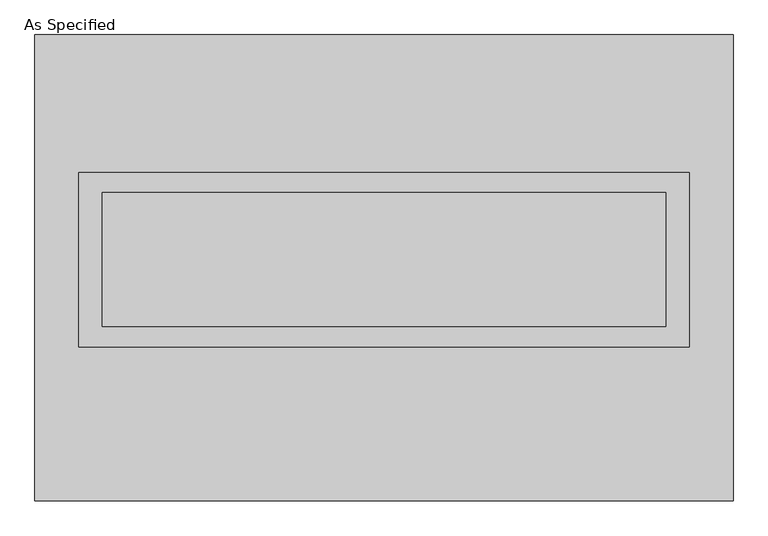
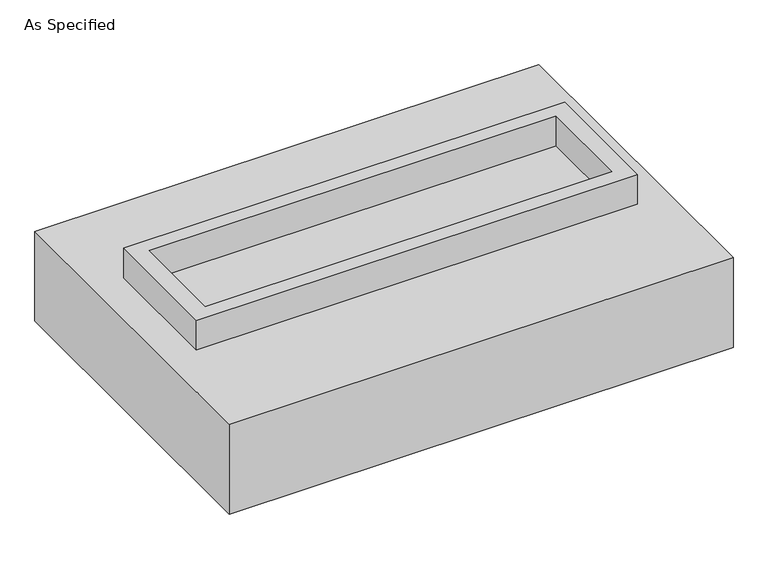
"""IFC4 building model written with IfcOpenShell, lengths in millimetres: proxy geometry, As Specified."""

from ifc_helpers import new_model, si_unit, frame, origin, place, context, project, spatial, polyline, outline, extrude, source, transform, mapped, element, save


def as_specified_f08e122b(model_context):
    return source(origin(), model_context, "Body", "SweptSolid", [
        extrude(outline(polyline([(1155.7, 361.95), (1155.7, -298.45), (-1155.7, -298.45), (-1155.7, 361.95), (1155.7, 361.95)]), holes=[polyline([(1066.8, 285.75), (-1066.8, 285.75), (-1066.8, -222.25), (1066.8, -222.25), (1066.8, 285.75)])]), frame((0.0, 0.0, -688.975), z_axis=(0.0, 0.0, 1.0), x_axis=(1.0, 0.0, 0.0)), (0.0, 0.0, 1.0), 165.1),
        extrude(outline(polyline([(1155.7, 361.95), (1155.7, -298.45), (-1155.7, -298.45), (-1155.7, 361.95), (1155.7, 361.95)]), holes=[polyline([(1066.8, 285.75), (-1066.8, 285.75), (-1066.8, -222.25), (1066.8, -222.25), (1066.8, 285.75)])]), frame((0.0, 0.0, -25.4), z_axis=(0.0, 0.0, 1.0), x_axis=(1.0, 0.0, 0.0)), (0.0, 0.0, 1.0), 165.1),
        extrude(outline(polyline([(1066.8, 285.75), (1066.8, -222.25), (-1066.8, -222.25), (-1066.8, 285.75), (1066.8, 285.75)])), frame((0.0, 0.0, -523.875), z_axis=(0.0, 0.0, 1.0), x_axis=(1.0, 0.0, 0.0)), (0.0, 0.0, 1.0), 4.9609375),
        extrude(outline(polyline([(1066.8, 285.75), (1066.8, -222.25), (-1066.8, -222.25), (-1066.8, 285.75), (1066.8, 285.75)])), frame((0.0, 0.0, -30.3609375), z_axis=(0.0, 0.0, 1.0), x_axis=(1.0, 0.0, 0.0)), (0.0, 0.0, 1.0), 4.9609375),
        extrude(outline(polyline([(1320.8, -882.65), (-1320.8, -882.65), (-1320.8, 882.65), (1320.8, 882.65), (1320.8, -882.65)]), holes=[polyline([(-1155.7, 361.95), (-1155.7, -298.45), (1155.7, -298.45), (1155.7, 361.95), (-1155.7, 361.95)])]), frame((0.0, 0.0, -523.875), z_axis=(0.0, 0.0, 1.0), x_axis=(1.0, 0.0, 0.0)), (0.0, 0.0, 1.0), 498.475),
    ])


if __name__ == "__main__":
    model = new_model("IFC4")
    model_context = context("Model", 3, world=origin())
    ifc_project = project(units=[si_unit("LENGTHUNIT", "METRE", prefix="MILLI")], contexts=[model_context])
    site = spatial("IfcSite", under=ifc_project)
    building = spatial("IfcBuilding", under=site)
    placement = place(None, origin())
    as_specified_shape = as_specified_f08e122b(model_context)
    element("IfcBuildingElementProxy", 1, Name="As Specified", ObjectType="As Specified", at=placement, inside=building, context=model_context, shape_type="MappedRepresentation", body=[
        mapped(as_specified_shape, transform((0.0, 0.0, 0.0), x_axis=(1.0, 0.0, 0.0), y_axis=(0.0, 1.0, 0.0), z_axis=(0.0, 0.0, 1.0))),
    ])
    save(model, "model.ifc")
